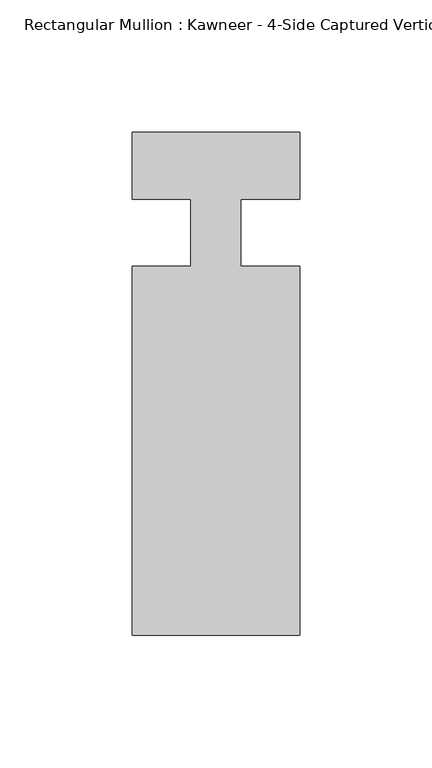
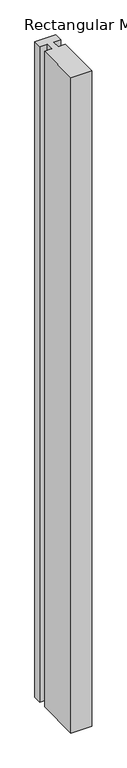
"""IFC4 building model written with IfcOpenShell, lengths in millimetres: member geometry."""

from ifc_helpers import new_model, si_unit, frame, origin, place, context, project, spatial, polyline, outline, extrude, source, transform, mapped, element, save


def member_11075c38(model_context):
    return source(origin(), model_context, "Body", "SweptSolid", [
        extrude(outline(polyline([(-9.5251132, 12.7), (-31.75, 12.7), (-31.75, 38.1), (31.75, 38.1), (31.75, 12.7), (9.5251132, 12.7), (9.5251132, -12.7), (31.75, -12.7), (31.75, -152.399995), (-31.75, -152.399995), (-31.75, -12.7), (-9.5251132, -12.7), (-9.5251132, 12.7)])), frame((0.0, 0.0, -2113.59299), z_axis=(0.0, 0.0, 1.0), x_axis=(1.0, 0.0, 0.0)), (0.0, 0.0, 1.0), 2113.59299),
    ])


if __name__ == "__main__":
    model = new_model("IFC4")
    model_context = context("Model", 3, world=origin())
    ifc_project = project(units=[si_unit("LENGTHUNIT", "METRE", prefix="MILLI")], contexts=[model_context])
    site = spatial("IfcSite", under=ifc_project)
    building = spatial("IfcBuilding", under=site)
    placement = place(None, origin())
    member_shape = member_11075c38(model_context)
    element("IfcMember", 1, ObjectType="Rectangular Mullion : Kawneer - 4-Side Captured Vertical Mullion - 7 1/2\"", at=placement, inside=building, context=model_context, shape_type="MappedRepresentation", body=[
        mapped(member_shape, transform((0.0, 0.0, 0.0), x_axis=(1.0, 0.0, 0.0), y_axis=(0.0, 1.0, 0.0), z_axis=(0.0, 0.0, 1.0))),
    ])
    save(model, "model.ifc")
